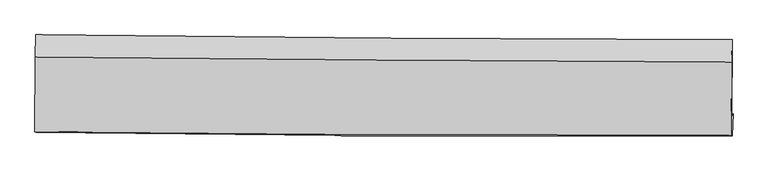
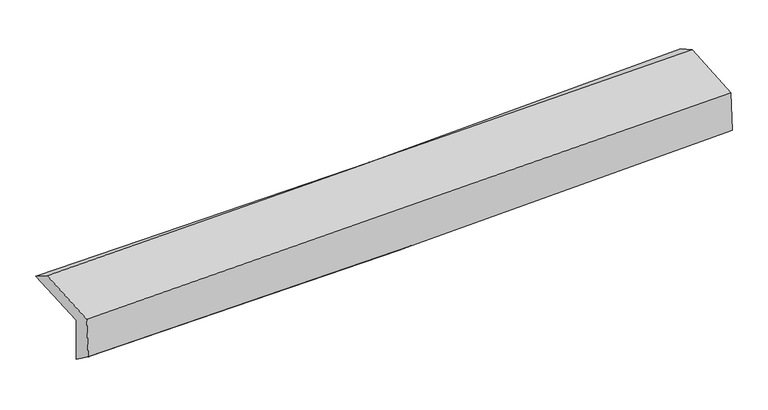
"""IFC4 building model written with IfcOpenShell, lengths in millimetres: proxy geometry."""

from ifc_helpers import new_model, si_unit, frame, origin, place, context, project, spatial, source, transform, mapped, element, save
from ifc_brep_helpers import plane_surface, spline_curve, spline_surface, advanced_brep


def generic_models_f17651fb(model_context):
    return source(origin(), model_context, "Body", "AdvancedBrep", [
        advanced_brep(
        [(-3032.5334728, -1763.9717945, 1949.6928165), (-3028.8395906, -1096.1772573, 1979.3818252), (3016.2980362, -1138.5304532, 2151.724076), (3011.8341339, -1802.390857, 2122.1851433), (-3019.6087745, -1736.7728753, 1539.5218063), (3024.5500157, -1784.4332054, 1716.6817896), (-3025.8216015, -1945.8566124, 1693.0583231), (3018.8174957, -1977.5507897, 1851.1228278), (-3037.4124435, -1939.3402102, 2067.7787936), (3007.2506592, -1971.03262, 2225.9576715), (-3034.0828264, -1290.1789265, 2105.0509178), (3011.2900522, -1332.1387095, 2262.664269)],
        [
            (0, 1),
            (1, 2, spline_curve(3, [(-3028.8395906, -1096.1772573, 1979.3818252), (-2020.877457028, -1108.114694848, 1985.789944291), (-1013.224714552, -1117.612652265, 2003.351307019), (1001.821381813, -1131.732125412, 2060.790763987), (2009.214514798, -1136.351899808, 2100.676818365), (3016.2980362, -1138.5304532, 2151.724076)], [4, 2, 4], [0.0, 9.919679781688291, 19.842898640750107])),
            (2, 3),
            (3, 0, spline_curve(3, [(3011.8341339, -1802.390857, 2122.1851433), (2005.276730646, -1804.972917578, 2057.88249126), (998.210800816, -1803.060986927, 2011.357410942), (-1016.578763909, -1790.251427521, 1953.872647345), (-2024.302036455, -1779.357004238, 1942.900285018), (-3032.5334728, -1763.9717945, 1949.6928165)], [4, 2, 4], [0.0, 9.923218859061816, 19.842898640750107])),
            (4, 0),
            (3, 5),
            (5, 4, spline_curve(3, [(3024.5500157, -1784.4332054, 1716.6817896), (2017.908037063, -1779.384942626, 1656.967783829), (1010.817234529, -1772.88815027, 1612.347507392), (-1003.902682244, -1757.000340398, 1553.304944136), (-2011.531476571, -1747.610355907, 1538.871892519), (-3019.6087745, -1736.7728753, 1539.5218063)], [4, 2, 4], [0.0, 9.922888234534474, 19.842237509611376])),
            (6, 4),
            (5, 7),
            (7, 6, spline_curve(3, [(3018.8174957, -1977.5507897, 1851.1228278), (2011.444015821, -1981.216383348, 1814.209940658), (1003.947488322, -1980.40672948, 1782.580048015), (-1010.932298324, -1969.83881196, 1729.895647104), (-2018.315470113, -1960.083740049, 1708.837371806), (-3025.8216015, -1945.8566124, 1693.0583231)], [4, 2, 4], [0.0, 9.921781693521671, 19.840024822229314])),
            (8, 6),
            (7, 9),
            (9, 8, spline_curve(3, [(3007.2506592, -1971.03262, 2225.9576715), (1999.358108816, -1974.408976305, 2205.674805499), (991.60009121, -1973.454877354, 2182.348905704), (-1023.287514016, -1962.887652162, 2129.620442874), (-2030.417197157, -1953.277614798, 2100.22004988), (-3037.4124435, -1939.3402102, 2067.7787936)], [4, 2, 4], [0.0, 9.921163979232725, 19.83878961395682])),
            (10, 8),
            (9, 11),
            (11, 10, spline_curve(3, [(3011.2900522, -1332.1387095, 2262.664269), (2003.298519409, -1327.583521785, 2242.832404958), (995.431850304, -1321.808438193, 2219.779109777), (-1019.692353712, -1307.82097374, 2167.239028602), (-2026.949977176, -1299.609462933, 2137.754540041), (-3034.0828264, -1290.1789265, 2105.0509178)], [4, 2, 4], [0.0, 9.921804406278621, 19.8400702396428])),
            (1, 10),
            (11, 2),
        ],
        [
            spline_surface(3, 3, [[(-3032.5334728, -1763.9717945, 1949.6928165), (-2024.302036534, -1779.357004147, 1942.900285111), (-1016.578763985, -1790.251427673, 1953.872647184), (998.210800892, -1803.060986774, 2011.357411103), (2005.276730615, -1804.972917461, 2057.882491308), (3011.8341339, -1802.390857, 2122.1851433)], [(-3031.302178733, -1541.373615432, 1959.589152718), (-2023.160510056, -1555.60956771, 1957.196838158), (-1015.460747489, -1566.03850257, 1970.365533756), (999.41432789, -1579.284699618, 2027.83519542), (2006.589325383, -1582.099244907, 2072.147266992), (3013.322101331, -1581.104055737, 2132.031454192)], [(-3030.070884667, -1318.775436368, 1969.485488982), (-2022.018983579, -1331.862131278, 1971.493391252), (-1014.342731057, -1341.82557747, 1986.858420354), (1000.617854824, -1355.508412465, 2044.312979764), (2007.901920157, -1359.225572341, 2086.4120427), (3014.810068769, -1359.817254463, 2141.877765108)], [(-3028.8395906, -1096.1772573, 1979.3818252), (-2020.877457101, -1108.114694842, 1985.789944299), (-1013.224714561, -1117.612652367, 2003.351306925), (1001.821381822, -1131.732125309, 2060.790764081), (2009.214514925, -1136.351899787, 2100.676818384), (3016.2980362, -1138.5304532, 2151.724076)]], [4, 4], [4, 2, 4], [0.0, 2.2106628376583624], [0.0, 9.919679781688291, 19.842898640750107]),
            spline_surface(3, 3, [[(-3019.6087745, -1736.7728753, 1539.5218063), (-2011.531476604, -1747.610356061, 1538.871892601), (-1003.90268227, -1757.000340463, 1553.304944052), (1010.817234555, -1772.888150205, 1612.347507476), (2017.908036941, -1779.3849425, 1656.967783836), (3024.5500157, -1784.4332054, 1716.6817896)], [(-3023.917007248, -1745.839181709, 1676.245476356), (-2015.788329895, -1758.192572099, 1673.548023427), (-1008.128042863, -1768.08403618, 1686.827511791), (1006.615089979, -1782.945762375, 1745.350808714), (2013.697601493, -1787.914267471, 1790.606019666), (3020.311388426, -1790.419089251, 1851.849574172)], [(-3028.225240052, -1754.905488091, 1812.969146444), (-2020.045183243, -1768.774788109, 1808.224154285), (-1012.353403392, -1779.167731956, 1820.350079445), (1002.412945468, -1793.003374604, 1878.354109866), (2009.487166064, -1796.443592489, 1924.244255478), (3016.072761174, -1796.404973149, 1987.017358728)], [(-3032.5334728, -1763.9717945, 1949.6928165), (-2024.302036534, -1779.357004147, 1942.900285111), (-1016.578763985, -1790.251427673, 1953.872647184), (998.210800892, -1803.060986774, 2011.357411103), (2005.276730615, -1804.972917461, 2057.882491308), (3011.8341339, -1802.390857, 2122.1851433)]], [4, 4], [4, 2, 4], [0.0, 1.3164154121766525], [0.0, 9.919349275076902, 19.842237509611376]),
            spline_surface(3, 3, [[(-3025.8216015, -1945.8566124, 1693.0583231), (-2018.315469989, -1960.0837401, 1708.837371879), (-1010.932298408, -1969.838812041, 1729.895647259), (1003.947488407, -1980.406729398, 1782.58004786), (2011.444015903, -1981.216383223, 1814.209940684), (3018.8174957, -1977.5507897, 1851.1228278)], [(-3023.75065919, -1876.162033387, 1641.879484183), (-2016.054138884, -1889.259278774, 1652.182212136), (-1008.589093028, -1898.892654856, 1671.032079504), (1006.23740379, -1911.233869674, 1725.835867713), (2013.598689571, -1913.939236338, 1761.795888382), (3020.728335689, -1913.178261622, 1806.30914838)], [(-3021.67971681, -1806.467454313, 1590.700645217), (-2013.792807709, -1818.434817387, 1595.527052343), (-1006.24588765, -1827.946497649, 1612.168511806), (1008.527319172, -1842.061009929, 1669.091687623), (2015.753363273, -1846.662089385, 1709.381836139), (3022.639175711, -1848.805733478, 1761.49546902)], [(-3019.6087745, -1736.7728753, 1539.5218063), (-2011.531476604, -1747.610356061, 1538.871892601), (-1003.90268227, -1757.000340463, 1553.304944052), (1010.817234555, -1772.888150205, 1612.347507476), (2017.908036941, -1779.3849425, 1656.967783836), (3024.5500157, -1784.4332054, 1716.6817896)]], [4, 4], [4, 2, 4], [0.0, 0.8942567445253227], [0.0, 9.918243128707642, 19.840024822229314]),
            spline_surface(3, 3, [[(-3037.4124435, -1939.3402102, 2067.7787936), (-2030.417197096, -1953.277614883, 2100.220050035), (-1023.287513885, -1962.887652296, 2129.620442888), (991.600091078, -1973.45487722, 2182.348905689), (1999.358108753, -1974.408976418, 2205.674805505), (3007.2506592, -1971.03262, 2225.9576715)], [(-3033.548829476, -1941.512344258, 1942.871970087), (-2026.383288036, -1955.54632328, 1969.759157304), (-1019.169108704, -1965.204705555, 1996.378844352), (995.71589021, -1975.77216129, 2049.092619753), (2003.386744481, -1976.678112016, 2075.186517251), (3011.106271378, -1973.20534323, 2101.012723619)], [(-3029.685215524, -1943.684478342, 1817.965146613), (-2022.349379049, -1957.815031703, 1839.298264611), (-1015.050703589, -1967.521758783, 1863.137245795), (999.831689275, -1978.089445328, 1915.836333796), (2007.415380175, -1978.947247625, 1944.698228939), (3014.961883522, -1975.37806647, 1976.067775681)], [(-3025.8216015, -1945.8566124, 1693.0583231), (-2018.315469989, -1960.0837401, 1708.837371879), (-1010.932298408, -1969.838812041, 1729.895647259), (1003.947488407, -1980.406729398, 1782.58004786), (2011.444015903, -1981.216383223, 1814.209940684), (3018.8174957, -1977.5507897, 1851.1228278)]], [4, 4], [4, 2, 4], [0.0, 1.3123294343873257], [0.0, 9.917625634724095, 19.83878961395682]),
            spline_surface(3, 3, [[(-3034.0828264, -1290.1789265, 2105.0509178), (-2026.949977305, -1299.609463099, 2137.754539986), (-1019.692353617, -1307.820973804, 2167.239028612), (995.431850209, -1321.808438128, 2219.779109767), (2003.298519372, -1327.58352175, 2242.832404855), (3011.2900522, -1332.1387095, 2262.664269)], [(-3035.192698775, -1506.566021059, 2092.626876418), (-2028.105717243, -1517.498847019, 2125.243043354), (-1020.890740393, -1526.176533291, 2154.699500025), (994.154597146, -1539.023917814, 2207.302375062), (2001.985049157, -1543.192006623, 2230.446538395), (3009.943587858, -1545.103346318, 2250.42873649)], [(-3036.302571125, -1722.953115641, 2080.202834982), (-2029.261457157, -1735.388230962, 2112.731546668), (-1022.08912711, -1744.53209281, 2142.159971475), (992.877344141, -1756.239397533, 2194.825640394), (2000.671578968, -1758.800491544, 2218.060671965), (3008.597123542, -1758.067983182, 2238.19320401)], [(-3037.4124435, -1939.3402102, 2067.7787936), (-2030.417197096, -1953.277614883, 2100.220050035), (-1023.287513885, -1962.887652296, 2129.620442888), (991.600091078, -1973.45487722, 2182.348905689), (1999.358108753, -1974.408976418, 2205.674805505), (3007.2506592, -1971.03262, 2225.9576715)]], [4, 4], [4, 2, 4], [0.0, 2.1471232621566037], [0.0, 9.918265833364178, 19.8400702396428]),
            spline_surface(3, 3, [[(-3028.8395906, -1096.1772573, 1979.3818252), (-2020.877457101, -1108.114694842, 1985.789944299), (-1013.224714561, -1117.612652367, 2003.351306925), (1001.821381822, -1131.732125309, 2060.790764081), (2009.214514925, -1136.351899787, 2100.676818384), (3016.2980362, -1138.5304532, 2151.724076)], [(-3030.587335879, -1160.844480354, 2021.271522737), (-2022.901630515, -1171.946284248, 2036.444809532), (-1015.380594249, -1181.015426194, 2057.980547492), (999.691537948, -1195.090896263, 2113.786879314), (2007.242516425, -1200.095773783, 2148.062013886), (3014.628708218, -1203.066538642, 2188.704140346)], [(-3032.335081121, -1225.511703446, 2063.161220263), (-2024.925803891, -1235.777873692, 2087.099674753), (-1017.536473929, -1244.418199978, 2112.609788045), (997.561694082, -1258.449667174, 2166.782994534), (2005.270517872, -1263.839647753, 2195.447209352), (3012.959380182, -1267.602624058, 2225.684204654)], [(-3034.0828264, -1290.1789265, 2105.0509178), (-2026.949977305, -1299.609463099, 2137.754539986), (-1019.692353617, -1307.820973804, 2167.239028612), (995.431850209, -1321.808438128, 2219.779109767), (2003.298519372, -1327.58352175, 2242.832404855), (3011.2900522, -1332.1387095, 2262.664269)]], [4, 4], [4, 2, 4], [0.0, 0.8186163951286771], [0.0, 9.91901403632077, 19.84156691249486]),
            plane_surface(frame((3015.0067321, -1667.6794391, 2055.0559629), z_axis=(0.9994870800547144, -0.00809934174658349, 0.0309835031423707), x_axis=(0.03083914808738834, -0.017378545959167775, -0.9993732701476408))),
            plane_surface(frame((-3029.7164515, -1628.7162794, 1889.0807471), z_axis=(-0.9994943773245878, 0.006908496868019469, -0.031036468348688794), x_axis=(-0.005525922275442632, -0.9989979395111889, -0.044413748270156615))),
        ],
        [
            (0, [[1, 2, 3, 4]]),
            (1, [[5, -4, 6, 7]]),
            (2, [[8, -7, 9, 10]]),
            (3, [[11, -10, 12, 13]]),
            (4, [[14, -13, 15, 16]]),
            (5, [[17, -16, 18, -2]]),
            (6, [[-12, -9, -6, -3, -18, -15]]),
            (7, [[-1, -5, -8, -11, -14, -17]]),
        ],
    ),
    ])


if __name__ == "__main__":
    model = new_model("IFC4")
    model_context = context("Model", 3, world=origin())
    ifc_project = project(units=[si_unit("LENGTHUNIT", "METRE", prefix="MILLI")], contexts=[model_context])
    site = spatial("IfcSite", under=ifc_project)
    building = spatial("IfcBuilding", under=site)
    placement = place(None, origin())
    generic_models_shape = generic_models_f17651fb(model_context)
    element("IfcBuildingElementProxy", 1, Name="Generic Models", at=placement, inside=building, context=model_context, shape_type="MappedRepresentation", body=[
        mapped(generic_models_shape, transform((0.0, 0.0, 0.0), x_axis=(1.0, 0.0, 0.0), y_axis=(0.0, 1.0, 0.0), z_axis=(0.0, 0.0, 1.0))),
    ])
    save(model, "model.ifc")
